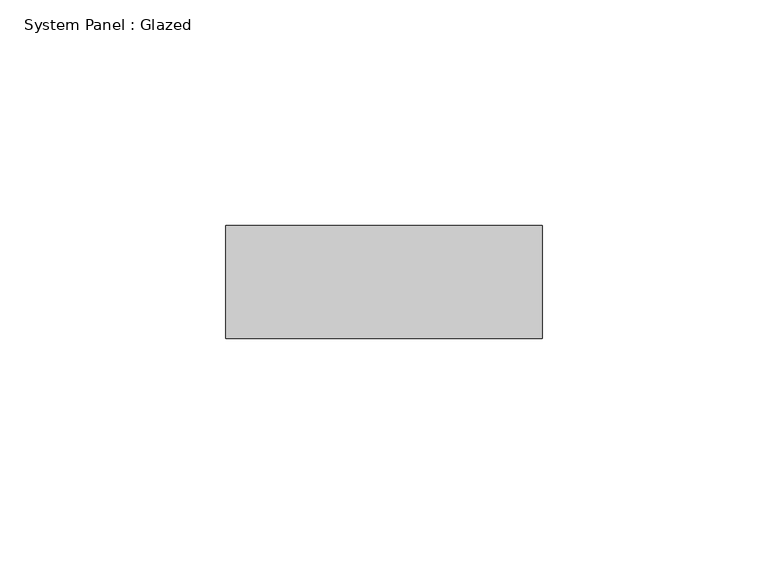
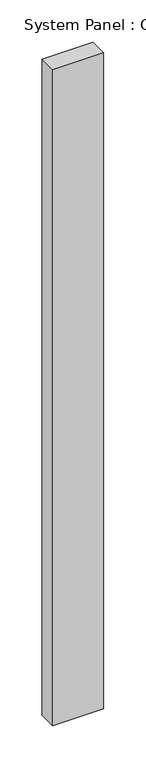
"""IFC4 building model written with IfcOpenShell, lengths in millimetres: plate geometry, System Panel : Glazed."""

from ifc_helpers import new_model, si_unit, origin, origin_with_axes, place, context, project, spatial, polyline, outline, extrude, source, transform, mapped, element, save


def system_panel_glazed_a0177875(model_context):
    return source(origin(), model_context, "Body", "SweptSolid", [
        extrude(outline(polyline([(35.0, -49.5), (-35.0, -49.5), (-35.0, -24.5), (35.0, -24.5), (35.0, -49.5)])), origin_with_axes(), (0.0, 0.0, 1.0), 948.3333333),
    ])


if __name__ == "__main__":
    model = new_model("IFC4")
    model_context = context("Model", 3, world=origin())
    ifc_project = project(units=[si_unit("LENGTHUNIT", "METRE", prefix="MILLI")], contexts=[model_context])
    site = spatial("IfcSite", under=ifc_project)
    building = spatial("IfcBuilding", under=site)
    placement = place(None, origin())
    system_panel_glazed_shape = system_panel_glazed_a0177875(model_context)
    element("IfcPlate", 1, ObjectType="System Panel : Glazed", at=placement, inside=building, context=model_context, shape_type="MappedRepresentation", body=[
        mapped(system_panel_glazed_shape, transform((0.0, 0.0, 0.0), x_axis=(1.0, 0.0, 0.0), y_axis=(0.0, 1.0, 0.0), z_axis=(0.0, 0.0, 1.0))),
    ])
    save(model, "model.ifc")
